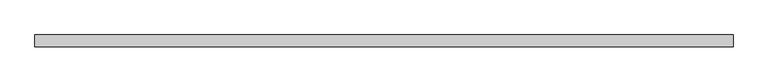
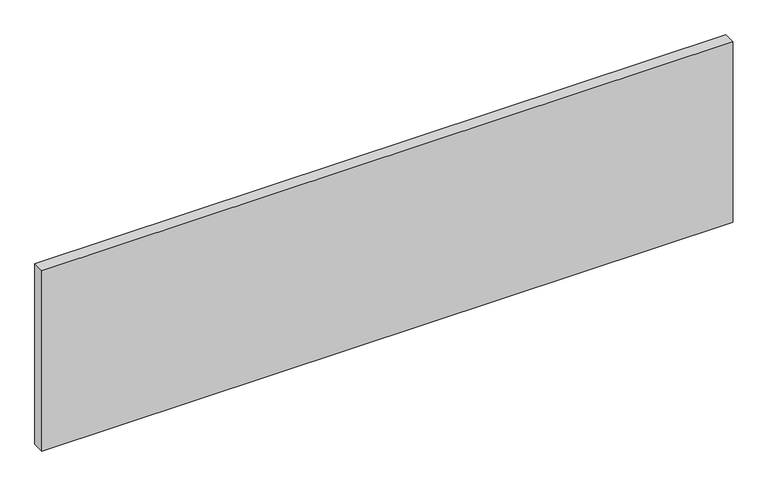
"""IFC4 building model written with IfcOpenShell, lengths in millimetres: plate geometry."""

from ifc_helpers import new_model, si_unit, origin, origin_with_axes, place, context, project, spatial, polyline, outline, extrude, source, transform, mapped, element, save


def plate_b2a9db7e(model_context):
    return source(origin(), model_context, "Body", "SweptSolid", [
        extrude(outline(polyline([(725.0, -49.5), (-725.0, -49.5), (-725.0, -24.5), (725.0, -24.5), (725.0, -49.5)])), origin_with_axes(), (0.0, 0.0, 1.0), 400.0),
    ])


if __name__ == "__main__":
    model = new_model("IFC4")
    model_context = context("Model", 3, world=origin())
    ifc_project = project(units=[si_unit("LENGTHUNIT", "METRE", prefix="MILLI")], contexts=[model_context])
    site = spatial("IfcSite", under=ifc_project)
    building = spatial("IfcBuilding", under=site)
    placement = place(None, origin())
    plate_shape = plate_b2a9db7e(model_context)
    element("IfcPlate", 1, at=placement, inside=building, context=model_context, shape_type="MappedRepresentation", body=[
        mapped(plate_shape, transform((0.0, 0.0, 0.0), x_axis=(1.0, 0.0, 0.0), y_axis=(0.0, 1.0, 0.0), z_axis=(0.0, 0.0, 1.0))),
    ])
    save(model, "model.ifc")
